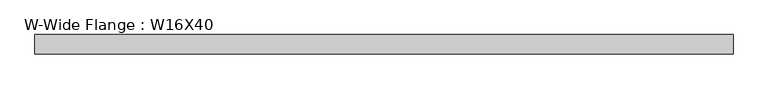
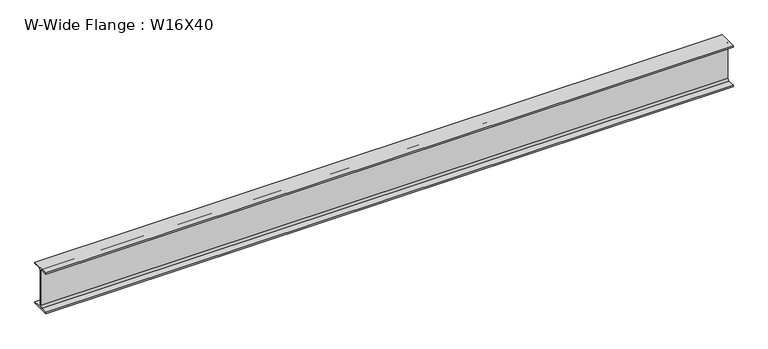
"""IFC4 building model written with IfcOpenShell, lengths in millimetres: beam geometry, W-Wide Flange : W16X40."""

import ifcopenshell
import ifcopenshell.guid

model = None  # the IFC model being written
_history = None  # IfcOwnerHistory: only IFC2X3 demands one
_inside = {}  # id of a spatial element -> (the spatial element, [elements in it])
_under = {}  # id of a project, library or spatial element -> (it, [spatial elements below it])
_declared = {}  # id of a project -> (the project, [libraries it declares])
_typed = {}  # id of a type object -> (the type object, [elements of that type])
_made_of = {}  # id of a material, layer set ... -> (it, [elements and type objects made of it])


def new_model(schema):
    """Start an empty IFC model of exactly this schema.

    Asked for "IFC4X3", IfcOpenShell would pick the latest addendum, in which some entities
    have other attributes; the version numbers below select the first issue.
    IFC2X3 requires an IfcOwnerHistory on every rooted entity: one is made here for all.
    """
    global model, _history
    if schema == "IFC4X3":
        model = ifcopenshell.file(schema_version=(4, 3, 0, 0))
    else:
        model = ifcopenshell.file(schema=schema)
    _inside.clear()
    _under.clear()
    _declared.clear()
    _typed.clear()
    _made_of.clear()
    _history = None
    if model.schema == "IFC2X3":
        org = make("IfcOrganization", Name="unknown")
        user = make(
            "IfcPersonAndOrganization",
            ThePerson=make("IfcPerson", FamilyName="unknown"),
            TheOrganization=org,
        )
        app = make(
            "IfcApplication",
            ApplicationDeveloper=org,
            Version="unknown",
            ApplicationFullName="unknown",
            ApplicationIdentifier="unknown",
        )
        _history = make(
            "IfcOwnerHistory",
            OwningUser=user,
            OwningApplication=app,
            ChangeAction="ADDED",
            CreationDate=0,
        )
    return model


def make(cls, **values):
    """One entity of the class cls with the attributes given. An attribute that is None is left unset."""
    return model.create_entity(
        cls, **{name: value for name, value in values.items() if value is not None}
    )


def rooted(cls, **values):
    """An entity with a GlobalId (a new one), such as an element, a storey or a relation."""
    return make(cls, GlobalId=ifcopenshell.guid.new(), OwnerHistory=_history, **values)


def si_unit(unit_type, name, prefix=None):
    """IfcSIUnit, for example si_unit("LENGTHUNIT", "METRE", prefix="MILLI")."""
    return make("IfcSIUnit", UnitType=unit_type, Prefix=prefix, Name=name)


def assignment(units):
    """IfcUnitAssignment: the units of a project."""
    return None if units is None else make("IfcUnitAssignment", Units=units)


def point(xyz):
    """IfcCartesianPoint."""
    return None if xyz is None else make("IfcCartesianPoint", Coordinates=xyz)


def direction(xyz):
    """IfcDirection."""
    return None if xyz is None else make("IfcDirection", DirectionRatios=xyz)


def frame(location, z_axis=None, x_axis=None):
    """IfcAxis2Placement3D, a coordinate frame: its origin and axes. An axis left out is left unset."""
    return make(
        "IfcAxis2Placement3D",
        Location=point(location),
        Axis=direction(z_axis),
        RefDirection=direction(x_axis),
    )


def frame_2d(location, x_axis=None):
    """IfcAxis2Placement2D, a coordinate frame in the plane: its origin and x axis."""
    return make(
        "IfcAxis2Placement2D", Location=point(location), RefDirection=direction(x_axis)
    )


def origin():
    """The frame at (0, 0, 0) with its axes left unset."""
    return frame((0.0, 0.0, 0.0))


def place(relative_to, where):
    """IfcLocalPlacement: puts the frame where relative to a parent placement (None: the world)."""
    return make(
        "IfcLocalPlacement", PlacementRelTo=relative_to, RelativePlacement=where
    )


def context(
    kind, dimensions, precision=None, world=None, true_north=None, identifier=None
):
    """IfcGeometricRepresentationContext, for example the 3D "Model" context."""
    return make(
        "IfcGeometricRepresentationContext",
        ContextIdentifier=identifier,
        ContextType=kind,
        CoordinateSpaceDimension=dimensions,
        Precision=precision,
        WorldCoordinateSystem=world,
        TrueNorth=true_north,
    )


def project(units=None, contexts=None):
    """IfcProject with its units and contexts."""
    return rooted(
        "IfcProject",
        Name="project",
        RepresentationContexts=contexts,
        UnitsInContext=assignment(units),
    )


def spatial(cls, under=None, at=None, **own):
    """A site, building, storey or space (cls), placed at a placement, below another one or the project."""
    s = rooted(cls, ObjectPlacement=at, **own)
    if under is not None:
        _under.setdefault(under.id(), (under, []))[1].append(s)
    return s


def polyline(points):
    """IfcPolyline through the points."""
    return make("IfcPolyline", Points=[point(p) for p in points])


def circle_curve(where, radius):
    """IfcCircle in the frame where."""
    return make("IfcCircle", Position=where, Radius=radius)


def trimmed(basis, trim1, trim2, sense, master):
    """IfcTrimmedCurve: the piece of a basis curve between two trims."""
    return make(
        "IfcTrimmedCurve",
        BasisCurve=basis,
        Trim1=trim1,
        Trim2=trim2,
        SenseAgreement=sense,
        MasterRepresentation=master,
    )


def segment(curve, same_sense, transition):
    """IfcCompositeCurveSegment."""
    return make(
        "IfcCompositeCurveSegment",
        Transition=transition,
        SameSense=same_sense,
        ParentCurve=curve,
    )


def composite_curve(segments, self_intersect=None):
    """IfcCompositeCurve: segments joined end to end."""
    return make("IfcCompositeCurve", Segments=segments, SelfIntersect=self_intersect)


def outline(outer, holes=None, kind="AREA"):
    """IfcArbitraryClosedProfileDef: a profile drawn as a closed curve; with holes, ...WithVoids."""
    if holes is None:
        return make("IfcArbitraryClosedProfileDef", ProfileType=kind, OuterCurve=outer)
    return make(
        "IfcArbitraryProfileDefWithVoids",
        ProfileType=kind,
        OuterCurve=outer,
        InnerCurves=holes,
    )


def extrude(swept, where, along, depth):
    """IfcExtrudedAreaSolid: the profile swept, set in the frame where, extruded along a direction by depth."""
    return make(
        "IfcExtrudedAreaSolid",
        SweptArea=swept,
        Position=where,
        ExtrudedDirection=direction(along),
        Depth=depth,
    )


def shape(context_of_items, identifier, shape_type, items):
    """IfcShapeRepresentation: the items that make up one representation, for example the "Body"."""
    return make(
        "IfcShapeRepresentation",
        ContextOfItems=context_of_items,
        RepresentationIdentifier=identifier,
        RepresentationType=shape_type,
        Items=items,
    )


def source(mapping_origin, context_of_items, identifier, shape_type, items):
    """IfcRepresentationMap: a shape defined once, which mapped items show again and again."""
    return make(
        "IfcRepresentationMap",
        MappingOrigin=mapping_origin,
        MappedRepresentation=shape(context_of_items, identifier, shape_type, items),
    )


def transform(
    local_origin,
    x_axis=None,
    y_axis=None,
    z_axis=None,
    scale=None,
    scale2=None,
    scale3=None,
    uniform=True,
):
    """IfcCartesianTransformationOperator3D, or its non-uniform kind. x_axis, y_axis, z_axis: its Axis1, 2, 3."""
    if uniform:
        return make(
            "IfcCartesianTransformationOperator3D",
            Axis1=direction(x_axis),
            Axis2=direction(y_axis),
            LocalOrigin=point(local_origin),
            Scale=scale,
            Axis3=direction(z_axis),
        )
    return make(
        "IfcCartesianTransformationOperator3DnonUniform",
        Axis1=direction(x_axis),
        Axis2=direction(y_axis),
        LocalOrigin=point(local_origin),
        Scale=scale,
        Axis3=direction(z_axis),
        Scale2=scale2,
        Scale3=scale3,
    )


def mapped(mapping_source, mapping_target):
    """IfcMappedItem: shows the shape of a source again, moved by a transform."""
    return make(
        "IfcMappedItem", MappingSource=mapping_source, MappingTarget=mapping_target
    )


def made_of(thing, what):
    """Note that an element or type object is made of a material, layer set ...; save() writes the relation."""
    if what is not None:
        _made_of.setdefault(what.id(), (what, []))[1].append(thing)
    return thing


def element(
    cls,
    number,
    at=None,
    inside=None,
    cuts=None,
    type_object=None,
    material=None,
    context=None,
    identifier="Body",
    shape_type=None,
    held_by="IfcProductDefinitionShape",
    body=None,
    shapes=None,
    **own,
):
    """One element of the class cls, such as IfcWall. Its Tag is "e" and its number.

    at: its placement. inside: the storey or other place that contains it. cuts: it is an
    opening in that element (IfcRelVoidsElement). A single representation is given by context,
    identifier, shape_type and body (its items); several are given by shapes. held_by: the class
    of the entity that holds the representations. save() writes the other relations.
    """
    e = rooted(cls, Tag="e%d" % number, ObjectPlacement=at, **own)
    if body is not None:
        shapes = [shape(context, identifier, shape_type, body)]
    if shapes is not None:
        e.Representation = make(held_by, Representations=shapes)
    if inside is not None:
        _inside.setdefault(inside.id(), (inside, []))[1].append(e)
    if cuts is not None:
        rooted(
            "IfcRelVoidsElement", RelatingBuildingElement=cuts, RelatedOpeningElement=e
        )
    if type_object is not None:
        _typed.setdefault(type_object.id(), (type_object, []))[1].append(e)
    return made_of(e, material)


def aggregate(whole, parts):
    """IfcRelAggregates: a whole, such as a stair, and the parts it consists of."""
    return rooted("IfcRelAggregates", RelatingObject=whole, RelatedObjects=parts)


def save(model, path):
    """Write the relations noted so far, then the file.

    IfcRelAggregates (storeys below a building ...), IfcRelContainedInSpatialStructure (elements
    in a storey), IfcRelDefinesByType, IfcRelAssociatesMaterial and IfcRelDeclares: one each for
    every whole, place, type object, material and project.
    """
    for whole, parts in _under.values():
        aggregate(whole, parts)
    for where, things in _inside.values():
        rooted(
            "IfcRelContainedInSpatialStructure",
            RelatedElements=things,
            RelatingStructure=where,
        )
    for kind, things in _typed.values():
        rooted("IfcRelDefinesByType", RelatedObjects=things, RelatingType=kind)
    for what, things in _made_of.values():
        rooted("IfcRelAssociatesMaterial", RelatedObjects=things, RelatingMaterial=what)
    for by, libraries in _declared.values():
        rooted("IfcRelDeclares", RelatingContext=by, RelatedDefinitions=libraries)
    model.write(path)


def w_wide_flange_w16x40_4be1cae5(model_context):
    return source(origin(), model_context, "Body", "SweptSolid", [
        extrude(outline(composite_curve([segment(polyline([(88.9, -190.4), (88.9, -203.2), (-88.9, -203.2), (-88.9, -190.4), (-21.25, -190.4)]), True, "CONTINUOUS"), segment(trimmed(circle_curve(frame_2d((-21.25, -173.0)), 17.4), [point((-21.25, -190.4))], [point((-3.85, -173.0))], True, "CARTESIAN"), True, "CONTINUOUS"), segment(polyline([(-3.85, -173.0), (-3.85, 173.0)]), True, "CONTINUOUS"), segment(trimmed(circle_curve(frame_2d((-21.25, 173.0)), 17.4), [point((-3.85, 173.0))], [point((-21.25, 190.4))], True, "CARTESIAN"), True, "CONTINUOUS"), segment(polyline([(-21.25, 190.4), (-88.9, 190.4), (-88.9, 203.2), (88.9, 203.2), (88.9, 190.4), (21.25, 190.4)]), True, "CONTINUOUS"), segment(trimmed(circle_curve(frame_2d((21.25, 173.0)), 17.4), [point((21.25, 190.4))], [point((3.85, 173.0))], True, "CARTESIAN"), True, "CONTINUOUS"), segment(polyline([(3.85, 173.0), (3.85, -173.0)]), True, "CONTINUOUS"), segment(trimmed(circle_curve(frame_2d((21.25, -173.0)), 17.4), [point((3.85, -173.0))], [point((21.25, -190.4))], True, "CARTESIAN"), True, "CONTINUOUS"), segment(polyline([(21.25, -190.4), (88.9, -190.4)]), True, "CONTINUOUS")], self_intersect=False)), frame((-3330.3651772, 0.0, 0.0), z_axis=(1.0, 0.0, 0.0), x_axis=(0.0, 1.0, 0.0)), (0.0, 0.0, 1.0), 6473.8705913),
    ])


if __name__ == "__main__":
    model = new_model("IFC4")
    model_context = context("Model", 3, world=origin())
    ifc_project = project(units=[si_unit("LENGTHUNIT", "METRE", prefix="MILLI")], contexts=[model_context])
    site = spatial("IfcSite", under=ifc_project)
    building = spatial("IfcBuilding", under=site)
    placement = place(None, origin())
    w_wide_flange_w16x40_shape = w_wide_flange_w16x40_4be1cae5(model_context)
    element("IfcBeam", 1, ObjectType="W-Wide Flange : W16X40", at=placement, inside=building, context=model_context, shape_type="MappedRepresentation", body=[
        mapped(w_wide_flange_w16x40_shape, transform((0.0, 0.0, 0.0), x_axis=(1.0, 0.0, 0.0), y_axis=(0.0, 1.0, 0.0), z_axis=(0.0, 0.0, 1.0))),
    ])
    save(model, "model.ifc")
